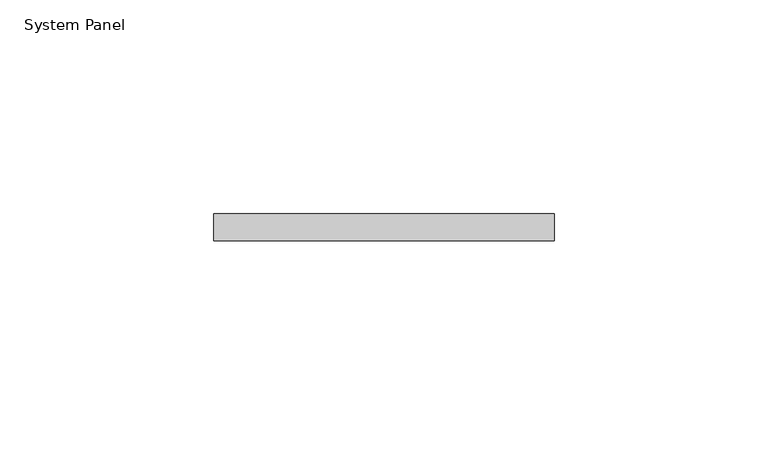
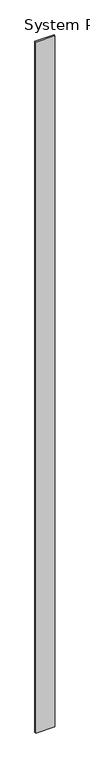
"""IFC4 building model written with IfcOpenShell, lengths in millimetres: plate geometry, System Panel."""

from ifc_helpers import new_model, si_unit, origin, origin_with_axes, place, context, project, spatial, polyline, outline, extrude, source, transform, mapped, element, save


def system_panel_4aef2f0d(model_context):
    return source(origin(), model_context, "Body", "SweptSolid", [
        extrude(outline(polyline([(39.8878601, 0.0), (-39.8878601, 0.0), (-39.8878601, 6.35), (39.8878601, 6.35), (39.8878601, 0.0)])), origin_with_axes(), (0.0, 0.0, 1.0), 3048.0),
    ])


if __name__ == "__main__":
    model = new_model("IFC4")
    model_context = context("Model", 3, world=origin())
    ifc_project = project(units=[si_unit("LENGTHUNIT", "METRE", prefix="MILLI")], contexts=[model_context])
    site = spatial("IfcSite", under=ifc_project)
    building = spatial("IfcBuilding", under=site)
    placement = place(None, origin())
    system_panel_shape = system_panel_4aef2f0d(model_context)
    element("IfcPlate", 1, ObjectType="System Panel", at=placement, inside=building, context=model_context, shape_type="MappedRepresentation", body=[
        mapped(system_panel_shape, transform((0.0, 0.0, 0.0), x_axis=(1.0, 0.0, 0.0), y_axis=(0.0, 1.0, 0.0), z_axis=(0.0, 0.0, 1.0))),
    ])
    save(model, "model.ifc")
